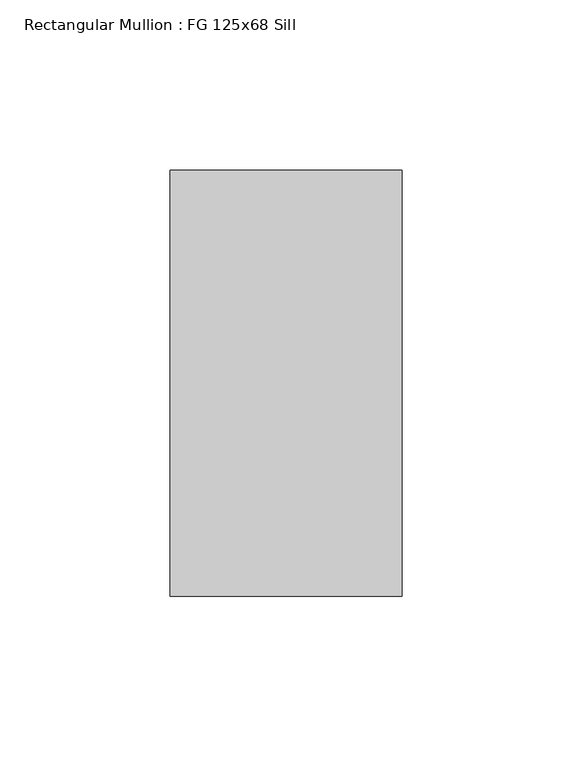
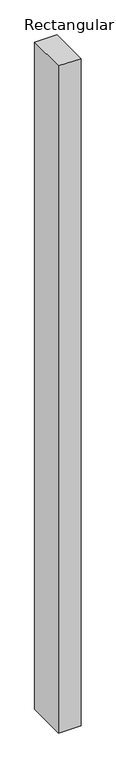
"""IFC4 building model written with IfcOpenShell, lengths in millimetres: member geometry, Rectangular Mullion : FG 125x68 Sill."""

from ifc_helpers import new_model, si_unit, frame, origin, place, context, project, spatial, polyline, outline, extrude, source, transform, mapped, element, save


def rectangular_mullion_fg_125x68_sill_b4480f7e(model_context):
    return source(origin(), model_context, "Body", "SweptSolid", [
        extrude(outline(polyline([(0.0, 62.5), (0.0, -62.5), (-68.0, -62.5), (-68.0, 62.5), (0.0, 62.5)])), frame((0.0, 0.0, -2137.5), z_axis=(0.0, 0.0, 1.0), x_axis=(1.0, 0.0, 0.0)), (0.0, 0.0, 1.0), 2137.5),
    ])


if __name__ == "__main__":
    model = new_model("IFC4")
    model_context = context("Model", 3, world=origin())
    ifc_project = project(units=[si_unit("LENGTHUNIT", "METRE", prefix="MILLI")], contexts=[model_context])
    site = spatial("IfcSite", under=ifc_project)
    building = spatial("IfcBuilding", under=site)
    placement = place(None, origin())
    rectangular_mullion_fg_125x68_sill_shape = rectangular_mullion_fg_125x68_sill_b4480f7e(model_context)
    element("IfcMember", 1, ObjectType="Rectangular Mullion : FG 125x68 Sill", at=placement, inside=building, context=model_context, shape_type="MappedRepresentation", body=[
        mapped(rectangular_mullion_fg_125x68_sill_shape, transform((0.0, 0.0, 0.0), x_axis=(1.0, 0.0, 0.0), y_axis=(0.0, 1.0, 0.0), z_axis=(0.0, 0.0, 1.0))),
    ])
    save(model, "model.ifc")
